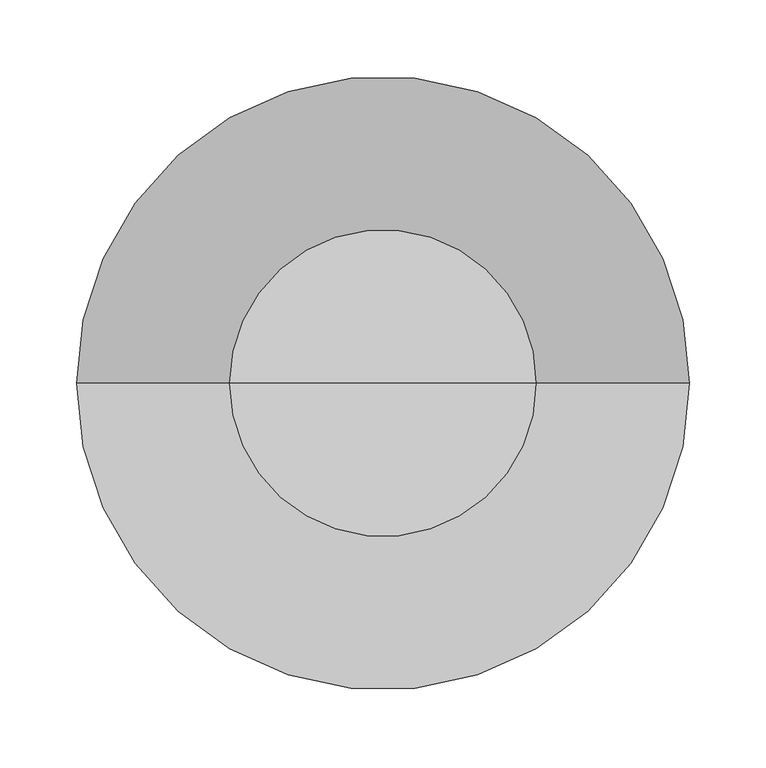
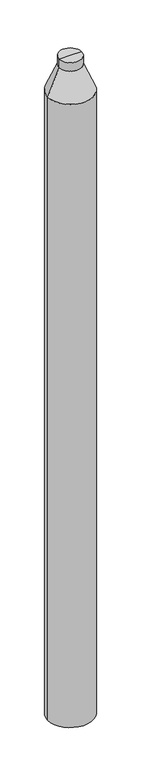
"""IFC4 building model written with IfcOpenShell, lengths in millimetres: column geometry."""

from ifc_helpers import new_model, si_unit, frame, origin, place, context, project, spatial, polyline, circle_curve, source, transform, mapped, element, save
from ifc_brep_helpers import plane_surface, cylinder_surface, revolved_surface, advanced_brep


def column_c2ca6375(model_context):
    return source(origin(), model_context, "Body", "AdvancedBrep", [
        advanced_brep(
        [(-200.0, 0.0, 3230.875), (-200.0, 0.0, -2599.125), (200.0, 0.0, -2599.125), (200.0, 0.0, 3230.875), (0.0, 0.0, -2599.125), (-100.0, 0.0, 3470.875), (100.0, 0.0, 3470.875), (-100.0, 0.0, 3550.875), (100.0, 0.0, 3550.875), (0.0, 0.0, 3550.875)],
        [
            (0, 1),
            (1, 2, circle_curve(frame((0.0, 0.0, -2599.125), z_axis=(0.0, 0.0, 1.0), x_axis=(1.0, 0.0, 0.0)), 200.0)),
            (2, 3),
            (3, 0, circle_curve(frame((0.0, 0.0, 3230.875), z_axis=(0.0, 0.0, -1.0), x_axis=(1.0, 0.0, 0.0)), 200.0)),
            (1, 4),
            (4, 2),
            (1, 2, circle_curve(frame((0.0, 0.0, -2599.125), z_axis=(0.0, 0.0, -1.0), x_axis=(1.0, 0.0, 0.0)), 200.0)),
            (0, 3, circle_curve(frame((0.0, 0.0, 3230.875), z_axis=(0.0, 0.0, -1.0), x_axis=(1.0, 0.0, 0.0)), 200.0)),
            (5, 0),
            (3, 6),
            (6, 5, circle_curve(frame((0.0, 0.0, 3470.875), z_axis=(0.0, 0.0, -1.0), x_axis=(1.0, 0.0, 0.0)), 100.0)),
            (5, 6, circle_curve(frame((0.0, 0.0, 3470.875), z_axis=(0.0, 0.0, -1.0), x_axis=(1.0, 0.0, 0.0)), 100.0)),
            (7, 5),
            (6, 8),
            (8, 7, circle_curve(frame((0.0, 0.0, 3550.875), z_axis=(0.0, 0.0, -1.0), x_axis=(1.0, 0.0, 0.0)), 100.0)),
            (7, 8, circle_curve(frame((0.0, 0.0, 3550.875), z_axis=(0.0, 0.0, -1.0), x_axis=(1.0, 0.0, 0.0)), 100.0)),
            (9, 7),
            (8, 9),
        ],
        [
            cylinder_surface(frame((0.0, 0.0, 3192.1059986), z_axis=(0.0, 0.0, 1.0), x_axis=(1.0, 0.0, 0.0)), 200.0),
            plane_surface(frame((0.0, 0.0, -2599.125), z_axis=(0.0, 0.0, -1.0), x_axis=(1.0, 0.0, 0.0))),
            revolved_surface(polyline([(200.0, 0.0, 3230.875), (100.0, 0.0, 3470.875)]), (0.0, 0.0, 3192.1059986), (0.0, 0.0, 1.0)),
            cylinder_surface(frame((0.0, 0.0, 3192.1059986), z_axis=(0.0, 0.0, 1.0), x_axis=(1.0, 0.0, 0.0)), 100.0),
            plane_surface(frame((0.0, 0.0, 3550.875), z_axis=(0.0, 0.0, 1.0), x_axis=(1.0, 0.0, 0.0))),
        ],
        [
            (0, [[1, 2, 3, 4]]),
            (1, [[5, 6, -2]]),
            (1, [[-6, -5, 7]]),
            (0, [[-3, -7, -1, 8]]),
            (2, [[9, -4, 10, 11]]),
            (2, [[-10, -8, -9, 12]]),
            (3, [[13, -11, 14, 15]]),
            (3, [[-14, -12, -13, 16]]),
            (4, [[17, -15, 18]]),
            (4, [[-18, -16, -17]]),
        ],
    ),
    ])


if __name__ == "__main__":
    model = new_model("IFC4")
    model_context = context("Model", 3, world=origin())
    ifc_project = project(units=[si_unit("LENGTHUNIT", "METRE", prefix="MILLI")], contexts=[model_context])
    site = spatial("IfcSite", under=ifc_project)
    building = spatial("IfcBuilding", under=site)
    placement = place(None, origin())
    column_shape = column_c2ca6375(model_context)
    element("IfcColumn", 1, at=placement, inside=building, context=model_context, shape_type="MappedRepresentation", body=[
        mapped(column_shape, transform((0.0, 0.0, 0.0), x_axis=(1.0, 0.0, 0.0), y_axis=(0.0, 1.0, 0.0), z_axis=(0.0, 0.0, 1.0))),
    ])
    save(model, "model.ifc")
